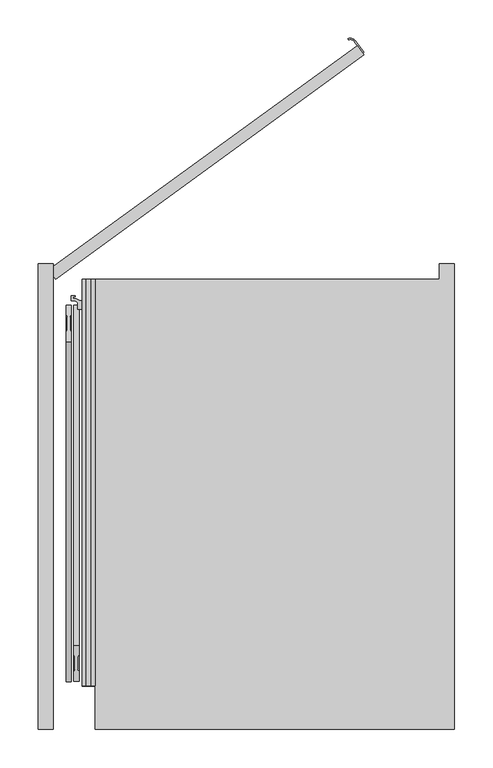
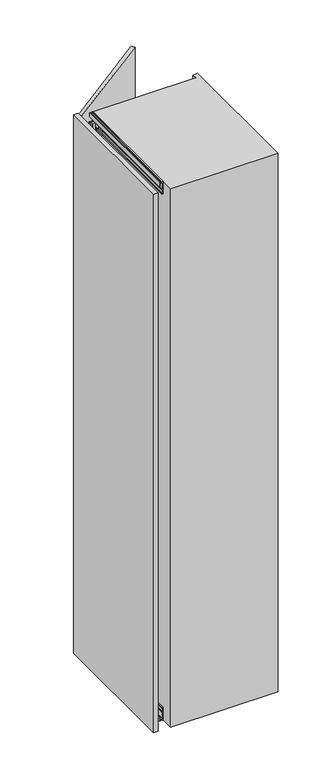
"""IFC4 building model written with IfcOpenShell, lengths in millimetres: furniture geometry."""

from ifc_helpers import new_model, si_unit, point, frame, frame_2d, origin, origin_with_axes, place, context, project, spatial, polyline, circle_curve, trimmed, segment, composite_curve, outline, extrude, faceted_brep, source, transform, mapped, element, save


def furniture_93f5c635(model_context):
    return source(origin(), model_context, "Body", "SolidModel", [
        extrude(outline(composite_curve([segment(polyline([(350.7451414, 296.3196771), (339.8600452, 311.3017268)]), True, "CONTINUOUS"), segment(trimmed(circle_curve(frame_2d((334.2088338, 307.1958814)), 6.9852814), [point((339.8600452, 311.3017268))], [point((331.7055329, 313.7172034))], True, "CARTESIAN"), True, "CONTINUOUS"), segment(polyline([(331.7055329, 313.7172034), (331.167981, 315.117574)]), True, "CONTINUOUS"), segment(trimmed(circle_curve(frame_2d((334.2088338, 307.1958814)), 8.4852814), [point((331.167981, 315.117574))], [point((341.0735707, 312.1834047))], False, "CARTESIAN"), True, "CONTINUOUS"), segment(polyline([(341.0735707, 312.1834047), (351.9586669, 297.201355), (350.7451414, 296.3196771)]), True, "CONTINUOUS")], self_intersect=False)), frame((0.0, 0.0, 1110.0), z_axis=(0.0, 0.0, 1.0), x_axis=(1.0, 0.0, 0.0)), (0.0, 0.0, 1.0), 180.0),
        extrude(outline(polyline([(-60.8167788, 12.1352549), (343.6917184, 306.0278811), (352.5084972, 293.8926261), (-52.0, 0.0), (-60.8167788, 12.1352549)])), origin_with_axes(), (0.0, 0.0, 1.0), 2500.0),
        extrude(outline(polyline([(17.0, -17.0), (-2.0, -17.0), (-2.0, -12.75), (0.25, -12.75), (0.25, -15.0), (2.9, -15.0), (2.9, -3.0), (0.25, -3.0), (0.25, -5.25), (-2.0, -5.25), (-2.0, 0.0), (56.5663764, 0.0), (57.0913089, -6.0), (54.1547673, -6.0), (54.1547673, -2.5), (38.5, -2.5), (38.5, -6.0), (35.5, -6.0), (35.5, -3.0104888), (5.5, -3.0104888), (5.5, -15.0), (17.0, -15.0), (17.0, -17.0)])), frame((0.0, -533.0, 0.0), z_axis=(0.0, 1.0, 0.0), x_axis=(0.0, 0.0, 1.0)), (0.0, 0.0, 1.0), 533.0),
        extrude(outline(polyline([(2483.0, -15.0), (2494.5, -15.0), (2494.5, -3.0104888), (2464.5, -3.0104888), (2464.5, -6.0), (2461.5, -6.0), (2461.5, -2.5), (2445.8452327, -2.5), (2445.8452327, -6.0), (2442.9086911, -6.0), (2443.4336236, 0.0), (2502.0, 0.0), (2502.0, -5.25), (2499.75, -5.25), (2499.75, -3.0), (2497.1, -3.0), (2497.1, -15.0), (2499.75, -15.0), (2499.75, -12.75), (2502.0, -12.75), (2502.0, -17.0), (2483.0, -17.0), (2483.0, -15.0)])), frame((0.0, -533.0, 0.0), z_axis=(0.0, 1.0, 0.0), x_axis=(0.0, 0.0, 1.0)), (0.0, 0.0, 1.0), 533.0),
        faceted_brep([(-15.8313044, -44.5, 33.9), (-15.8313044, -44.5, 21.9), (-15.8313044, -68.7, 21.9), (-15.8313044, -68.7, 33.9), (-13.8052444, -68.7, 33.9), (-13.8052444, -68.7, 21.9), (-13.8052444, -44.5, 21.9), (-13.8052444, -44.5, 33.9), (-14.2052444, -68.7, 19.301924), (-14.2052444, -68.7, 21.9), (-14.2052444, -44.5, 21.9), (-14.2052444, -44.5, 19.301924), (-10.2052444, -81.5, 21.9), (-7.7858983, -81.5, 21.9), (-3.8052444, -77.5193461, 21.9), (-3.8052444, -35.5, 21.9), (-7.8052444, -31.5, 21.9), (-10.2052444, -31.5, 21.9), (-14.2052444, -35.5, 21.9), (-14.2052444, -77.5, 21.9), (-3.8052444, -70.0, 9.0920874), (-14.2052444, -70.0, 9.0920874), (-14.2052444, -42.8540496, 9.0920874), (-3.8052444, -42.8540496, 9.0920874), (-14.2052444, -77.5, 14.45), (-10.2052444, -81.5, 14.45), (-14.2052444, -70.0, 14.45), (-14.2052444, -35.5, 14.45), (-14.2052444, -42.8540496, 14.45), (-14.2052444, -64.0, 15.2), (-14.2052444, -64.0, 11.4378021), (-14.2052444, -49.0, 11.4378021), (-14.2052444, -49.0, 15.2), (-10.2052444, -31.5, 14.45), (-7.8052444, -31.5, 14.45), (-3.8052444, -35.5, 14.45), (-3.8052444, -77.5193461, 14.45), (-3.8052444, -70.0, 14.45), (-3.8052444, -42.8540496, 14.45), (-3.8052444, -49.0, 15.2), (-3.8052444, -49.0, 11.4378021), (-3.8052444, -64.0, 11.4378021), (-3.8052444, -64.0, 15.2), (-7.7858983, -81.5, 14.45)], [[[0, 1, 2, 3]], [[4, 5, 6, 7]], [[3, 4, 7, 0]], [[3, 2, 8, 9, 5, 4]], [[7, 6, 10, 11, 1, 0]], [[1, 11, 8, 2]], [[12, 13, 14, 15, 16, 17, 18, 10, 6, 5, 9, 19]], [[20, 21, 22, 23]], [[19, 24, 25, 12]], [[21, 26, 24, 19, 9, 8, 11, 10, 18, 27, 28, 22], [29, 30, 31, 32]], [[17, 33, 27, 18]], [[16, 34, 33, 17]], [[15, 35, 34, 16]], [[14, 36, 37, 20, 23, 38, 35, 15], [39, 40, 41, 42]], [[13, 43, 36, 14]], [[12, 25, 43, 13]], [[37, 36, 43, 25, 24, 26]], [[26, 21, 20, 37]], [[29, 32, 39, 42]], [[42, 41, 30, 29]], [[32, 31, 40, 39]], [[28, 27, 33, 34, 35, 38]], [[38, 23, 22, 28]], [[41, 40, 31, 30]]]),
        extrude(outline(composite_curve([segment(trimmed(circle_curve(frame_2d((-9.0052444, -37.1770248)), 5.75), [point((-9.0052444, -42.9270248))], [point((-9.0052444, -31.4270248))], False, "CARTESIAN"), True, "CONTINUOUS"), segment(trimmed(circle_curve(frame_2d((-9.0052444, -37.1770248)), 5.75), [point((-9.0052444, -31.4270248))], [point((-9.0052444, -42.9270248))], False, "CARTESIAN"), True, "CONTINUOUS")], self_intersect=False)), frame((0.0, 0.0, 6.65), z_axis=(0.0, 0.0, 1.0), x_axis=(1.0, 0.0, 0.0)), (0.0, 0.0, 1.0), 7.3),
        extrude(outline(composite_curve([segment(trimmed(circle_curve(frame_2d((-9.0052444, -56.5)), 5.75), [point((-9.0052444, -62.25))], [point((-9.0052444, -50.75))], False, "CARTESIAN"), True, "CONTINUOUS"), segment(trimmed(circle_curve(frame_2d((-9.0052444, -56.5)), 5.75), [point((-9.0052444, -50.75))], [point((-9.0052444, -62.25))], False, "CARTESIAN"), True, "CONTINUOUS")], self_intersect=False)), frame((0.0, 0.0, 11.4378021), z_axis=(0.0, 0.0, 1.0), x_axis=(1.0, 0.0, 0.0)), (0.0, 0.0, 1.0), 3.7621979),
        extrude(outline(composite_curve([segment(trimmed(circle_curve(frame_2d((-9.0052444, -75.75)), 5.75), [point((-9.0052444, -81.5))], [point((-9.0052444, -70.0))], False, "CARTESIAN"), True, "CONTINUOUS"), segment(trimmed(circle_curve(frame_2d((-9.0052444, -75.75)), 5.75), [point((-9.0052444, -70.0))], [point((-9.0052444, -81.5))], False, "CARTESIAN"), True, "CONTINUOUS")], self_intersect=False)), frame((0.0, 0.0, 6.65), z_axis=(0.0, 0.0, 1.0), x_axis=(1.0, 0.0, 0.0)), (0.0, 0.0, 1.0), 7.3),
        faceted_brep([(-15.8313044, -68.5, 2466.1), (-15.8313044, -68.5, 2478.1), (-15.8313044, -44.3, 2478.1), (-15.8313044, -44.3, 2466.1), (-13.8052444, -44.3, 2466.1), (-13.8052444, -44.3, 2478.1), (-13.8052444, -68.5, 2478.1), (-13.8052444, -68.5, 2466.1), (-14.2052444, -44.3, 2480.698076), (-14.2052444, -44.3, 2478.1), (-14.2052444, -68.5, 2478.1), (-14.2052444, -68.5, 2480.698076), (-10.2052444, -31.5, 2478.1), (-7.7858983, -31.5, 2478.1), (-3.8052444, -35.4806539, 2478.1), (-3.8052444, -77.5, 2478.1), (-7.8052444, -81.5, 2478.1), (-10.2052444, -81.5, 2478.1), (-14.2052444, -77.5, 2478.1), (-14.2052444, -35.5, 2478.1), (-3.8052444, -43.0, 2490.9079126), (-14.2052444, -43.0, 2490.9079126), (-14.2052444, -70.1459504, 2490.9079126), (-3.8052444, -70.1459504, 2490.9079126), (-14.2052444, -35.5, 2485.55), (-10.2052444, -31.5, 2485.55), (-14.2052444, -43.0, 2485.55), (-14.2052444, -77.5, 2485.55), (-14.2052444, -70.1459504, 2485.55), (-14.2052444, -49.0, 2484.8), (-14.2052444, -49.0, 2488.5621979), (-14.2052444, -64.0, 2488.5621979), (-14.2052444, -64.0, 2484.8), (-10.2052444, -81.5, 2485.55), (-7.8052444, -81.5, 2485.55), (-3.8052444, -77.5, 2485.55), (-3.8052444, -35.4806539, 2485.55), (-3.8052444, -43.0, 2485.55), (-3.8052444, -70.1459504, 2485.55), (-3.8052444, -64.0, 2484.8), (-3.8052444, -64.0, 2488.5621979), (-3.8052444, -49.0, 2488.5621979), (-3.8052444, -49.0, 2484.8), (-7.7858983, -31.5, 2485.55)], [[[0, 1, 2, 3]], [[4, 5, 6, 7]], [[3, 4, 7, 0]], [[3, 2, 8, 9, 5, 4]], [[7, 6, 10, 11, 1, 0]], [[1, 11, 8, 2]], [[12, 13, 14, 15, 16, 17, 18, 10, 6, 5, 9, 19]], [[20, 21, 22, 23]], [[19, 24, 25, 12]], [[21, 26, 24, 19, 9, 8, 11, 10, 18, 27, 28, 22], [29, 30, 31, 32]], [[17, 33, 27, 18]], [[16, 34, 33, 17]], [[15, 35, 34, 16]], [[14, 36, 37, 20, 23, 38, 35, 15], [39, 40, 41, 42]], [[13, 43, 36, 14]], [[12, 25, 43, 13]], [[37, 36, 43, 25, 24, 26]], [[26, 21, 20, 37]], [[29, 32, 39, 42]], [[42, 41, 30, 29]], [[32, 31, 40, 39]], [[28, 27, 33, 34, 35, 38]], [[38, 23, 22, 28]], [[41, 40, 31, 30]]]),
        extrude(outline(composite_curve([segment(trimmed(circle_curve(frame_2d((-9.0052444, -75.8229752)), 5.75), [point((-9.0052444, -70.0729752))], [point((-9.0052444, -81.5729752))], False, "CARTESIAN"), True, "CONTINUOUS"), segment(trimmed(circle_curve(frame_2d((-9.0052444, -75.8229752)), 5.75), [point((-9.0052444, -81.5729752))], [point((-9.0052444, -70.0729752))], False, "CARTESIAN"), True, "CONTINUOUS")], self_intersect=False)), frame((0.0, 0.0, 2486.05), z_axis=(0.0, 0.0, 1.0), x_axis=(1.0, 0.0, 0.0)), (0.0, 0.0, 1.0), 7.3),
        extrude(outline(composite_curve([segment(trimmed(circle_curve(frame_2d((-9.0052444, -56.5)), 5.75), [point((-9.0052444, -50.75))], [point((-9.0052444, -62.25))], False, "CARTESIAN"), True, "CONTINUOUS"), segment(trimmed(circle_curve(frame_2d((-9.0052444, -56.5)), 5.75), [point((-9.0052444, -62.25))], [point((-9.0052444, -50.75))], False, "CARTESIAN"), True, "CONTINUOUS")], self_intersect=False)), frame((0.0, 0.0, 2484.8), z_axis=(0.0, 0.0, 1.0), x_axis=(1.0, 0.0, 0.0)), (0.0, 0.0, 1.0), 3.7621979),
        extrude(outline(composite_curve([segment(trimmed(circle_curve(frame_2d((-9.0052444, -37.25)), 5.75), [point((-9.0052444, -31.5))], [point((-9.0052444, -43.0))], False, "CARTESIAN"), True, "CONTINUOUS"), segment(trimmed(circle_curve(frame_2d((-9.0052444, -37.25)), 5.75), [point((-9.0052444, -43.0))], [point((-9.0052444, -31.5))], False, "CARTESIAN"), True, "CONTINUOUS")], self_intersect=False)), frame((0.0, 0.0, 2486.05), z_axis=(0.0, 0.0, 1.0), x_axis=(1.0, 0.0, 0.0)), (0.0, 0.0, 1.0), 7.3),
        extrude(outline(polyline([(-8.4980052, -11.2885509), (-7.0980161, -8.7447792), (-7.0980161, 8.7447792), (-8.4980052, 11.2885509), (-8.4980052, 24.9437822), (-1.5019948, 24.9437822), (-1.5019948, 11.2885509), (-2.9019839, 8.7447792), (-2.9019839, -8.7447792), (-1.5019948, -11.2885509), (-1.5019948, -24.9437822), (-8.4980052, -24.9437822), (-8.4980052, -11.2885509)])), frame((-30.0, -503.0, 263.0), z_axis=(0.0, 0.2968216785838769, 0.9549329249338142), x_axis=(1.0, 0.0, 0.0)), (0.0, 0.0, 1.0), 1500.0),
        extrude(outline(polyline([(1.5019948, 11.2885509), (1.5019948, 24.9437822), (8.4980052, 24.9437822), (8.4980052, 11.2885509), (7.0980161, 8.7447792), (7.0980161, -8.7447792), (8.4980052, -11.2885509), (8.4980052, -24.9437823), (1.5019948, -24.9437823), (1.5019948, -11.2885509), (2.9019839, -8.7447792), (2.9019839, 8.7447792), (1.5019948, 11.2885509)])), frame((-30.0, -57.7674821, 330.6006126), z_axis=(0.0, -0.29682167858387626, 0.9549329249338144), x_axis=(1.0, 0.0, 0.0)), (0.0, 0.0, 1.0), 1500.0),
        extrude(outline(polyline([(-14.6, -76.0), (-14.6, -68.7), (-12.2, -68.7), (-12.2, -72.2), (-9.6, -72.2), (-9.6, -64.5), (-10.6, -63.5), (-10.6, -49.5), (-9.6, -48.5), (-9.6, -40.8), (-12.2, -40.8), (-12.2, -44.3), (-14.6, -44.3), (-14.6, -39.5), (-23.35, -39.5), (-23.35, -31.0), (-26.35, -28.0), (-31.6, -28.0), (-31.6, -21.5), (-26.3, -21.5), (-26.3, -23.2), (-29.1, -23.2), (-29.1, -25.5), (-25.2566983, -25.5), (-21.16538, -27.407813), (-15.99707, -29.2889243), (-14.7999998, -26.0), (-11.1, -26.0), (-10.1, -25.0), (-9.1, -25.0), (-9.1, -30.5928201), (-12.6, -28.5720943), (-12.6, -34.5), (-11.1, -36.0), (-8.85, -36.0), (-6.85, -38.0), (-6.85, -76.0), (-14.6, -76.0)])), frame((0.0, 0.0, 21.9), z_axis=(0.0, 0.0, 1.0), x_axis=(1.0, 0.0, 0.0)), (0.0, 0.0, 1.0), 2456.2),
        extrude(outline(polyline([(-75.0, -590.0), (-75.0, 20.0), (-55.0, 20.0), (-55.0, -590.0), (-75.0, -590.0)])), origin_with_axes(), (0.0, 0.0, 1.0), 2502.0),
        extrude(outline(polyline([(451.0, 0.0), (451.0, 20.0), (471.0, 20.0), (471.0, -590.0), (0.0, -590.0), (0.0, 0.0), (451.0, 0.0)])), frame((0.0, 0.0, -2.0), z_axis=(0.0, 0.0, 1.0), x_axis=(1.0, 0.0, 0.0)), (0.0, 0.0, 1.0), 2504.0),
    ])


if __name__ == "__main__":
    model = new_model("IFC4")
    model_context = context("Model", 3, world=origin())
    ifc_project = project(units=[si_unit("LENGTHUNIT", "METRE", prefix="MILLI")], contexts=[model_context])
    site = spatial("IfcSite", under=ifc_project)
    building = spatial("IfcBuilding", under=site)
    placement = place(None, origin())
    furniture_shape = furniture_93f5c635(model_context)
    element("IfcFurniture", 1, at=placement, inside=building, context=model_context, shape_type="MappedRepresentation", body=[
        mapped(furniture_shape, transform((0.0, 0.0, 0.0), x_axis=(1.0, 0.0, 0.0), y_axis=(0.0, 1.0, 0.0), z_axis=(0.0, 0.0, 1.0))),
    ])
    save(model, "model.ifc")
